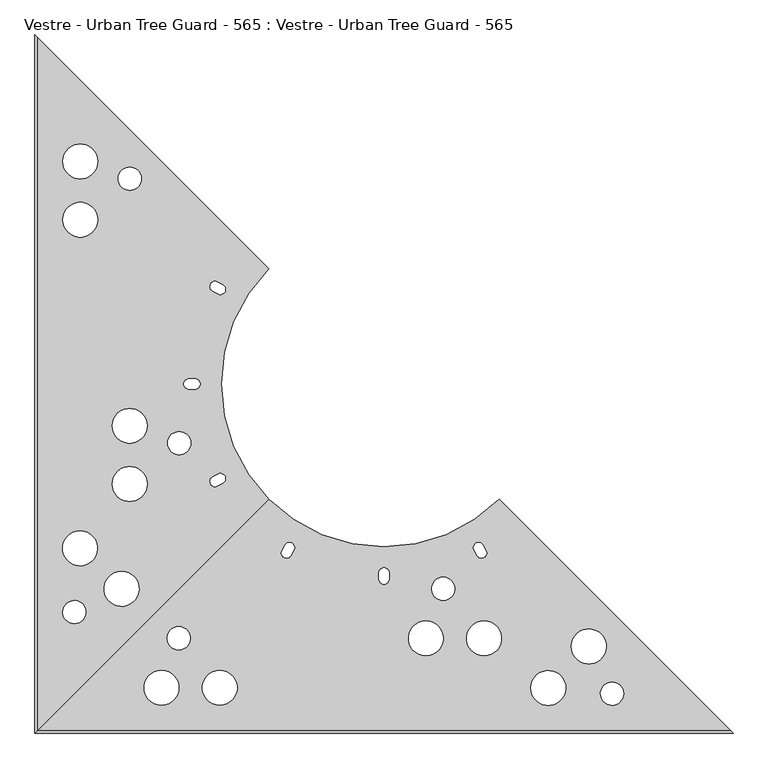
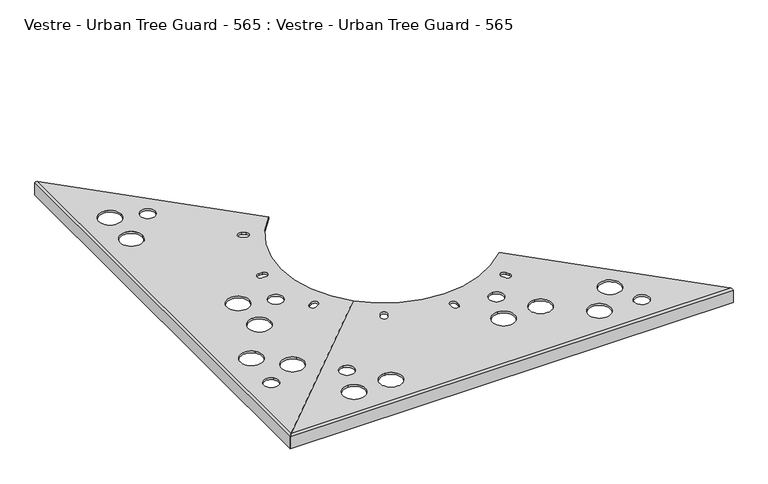
"""IFC4 building model written with IfcOpenShell, lengths in millimetres: furniture geometry, Vestre - Urban Tree Guard - 565 : Vestre - Urban Tree Guard - 565."""

from ifc_helpers import new_model, si_unit, frame, origin, place, context, project, spatial, polyline, circle_curve, ellipse_curve, source, transform, mapped, element, save
from ifc_brep_helpers import plane_surface, cylinder_surface, revolved_surface, advanced_brep


def vestre_urban_tree_guard_565_vestre_urban_tree_guard_565_433ae256(model_context):
    return source(origin(), model_context, "Body", "AdvancedBrep", [
        advanced_brep(
        [(-197.9898987, -197.9898987, 40.0), (-197.9898987, 197.9898987, 40.0), (-594.8, 594.8, 40.0), (-594.8, -594.8, 40.0), (-552.0929701, 382.4874784, 40.0), (-492.0929701, 382.4874784, 40.0), (-552.0929701, 282.4874784, 40.0), (-492.0929701, 282.4874784, 40.0), (-456.9653019, 352.8474801, 40.0), (-416.9653019, 352.8474801, 40.0), (-467.1830447, -71.9919609, 40.0), (-407.1830447, -71.9919609, 40.0), (-467.1830447, -171.9919609, 40.0), (-407.1830447, -171.9919609, 40.0), (-372.0553765, -101.6319592, 40.0), (-332.0553765, -101.6319592, 40.0), (-428.7496591, -332.1105133, 40.0), (-473.3383486, -372.2583496, 40.0), (-500.1600798, -262.237018, 40.0), (-544.7487693, -302.3848543, 40.0), (-517.2691252, -378.6111607, 40.0), (-546.9949182, -405.376385, 40.0), (-285.9582562, -154.7057714, 40.0), (-276.9582562, -170.2942286, 40.0), (-285.6185103, -175.2942286, 40.0), (-299.1185103, -167.5, 40.0), (-294.6185103, -159.7057714, 40.0), (-335.0, -9.0, 40.0), (-344.0, 0.0, 40.0), (-335.0, 9.0, 40.0), (-325.0, 9.0, 40.0), (-325.0, -9.0, 40.0), (-294.6185103, 159.7057714, 40.0), (-299.1185103, 167.5, 40.0), (-285.6185103, 175.2942286, 40.0), (-276.9582562, 170.2942286, 40.0), (-285.9582562, 154.7057714, 40.0), (-600.0, -600.0, 0.0), (-600.0, 600.0, 0.0), (-594.8, 594.8, 0.0), (-594.8, -594.8, 0.0), (-594.8, -594.8, 35.0), (-197.9898987, -197.9898987, 35.0), (-600.0, -600.0, 34.8), (-197.9898987, 197.9898987, 35.0), (-600.0, 600.0, 34.8), (-594.8, 594.8, 35.0), (-552.0929701, 382.4874784, 35.0), (-492.0929701, 382.4874784, 35.0), (-552.0929701, 282.4874784, 35.0), (-492.0929701, 282.4874784, 35.0), (-456.9653019, 352.8474801, 35.0), (-416.9653019, 352.8474801, 35.0), (-467.1830447, -71.9919609, 35.0), (-407.1830447, -71.9919609, 35.0), (-467.1830447, -171.9919609, 35.0), (-407.1830447, -171.9919609, 35.0), (-372.0553765, -101.6319592, 35.0), (-332.0553765, -101.6319592, 35.0), (-428.7496591, -332.1105133, 35.0), (-473.3383486, -372.2583496, 35.0), (-500.1600798, -262.237018, 35.0), (-544.7487693, -302.3848543, 35.0), (-517.2691252, -378.6111607, 35.0), (-546.9949182, -405.376385, 35.0), (-285.9582562, -154.7057714, 35.0), (-276.9582562, -170.2942286, 35.0), (-285.6185103, -175.2942286, 35.0), (-299.1185103, -167.5, 35.0), (-294.6185103, -159.7057714, 35.0), (-335.0, -9.0, 35.0), (-344.0, 0.0, 35.0), (-335.0, 9.0, 35.0), (-325.0, 9.0, 35.0), (-325.0, -9.0, 35.0), (-294.6185103, 159.7057714, 35.0), (-299.1185103, 167.5, 35.0), (-285.6185103, 175.2942286, 35.0), (-276.9582562, 170.2942286, 35.0), (-285.9582562, 154.7057714, 35.0)],
        [
            (0, 1, circle_curve(frame((0.0, 0.0, 40.0), z_axis=(0.0, 0.0, -1.0), x_axis=(1.0, 0.0, 0.0)), 280.0)),
            (1, 2),
            (2, 3),
            (3, 0),
            (4, 5, circle_curve(frame((-522.0929701, 382.4874784, 40.0), z_axis=(0.0, 0.0, -1.0), x_axis=(1.0, 0.0, 0.0)), 30.0)),
            (5, 4, circle_curve(frame((-522.0929701, 382.4874784, 40.0), z_axis=(0.0, 0.0, -1.0), x_axis=(1.0, 0.0, 0.0)), 30.0)),
            (6, 7, circle_curve(frame((-522.0929701, 282.4874784, 40.0), z_axis=(0.0, 0.0, -1.0), x_axis=(1.0, 0.0, 0.0)), 30.0)),
            (7, 6, circle_curve(frame((-522.0929701, 282.4874784, 40.0), z_axis=(0.0, 0.0, -1.0), x_axis=(1.0, 0.0, 0.0)), 30.0)),
            (8, 9, circle_curve(frame((-436.9653019, 352.8474801, 40.0), z_axis=(0.0, 0.0, -1.0), x_axis=(1.0, 0.0, 0.0)), 20.0)),
            (9, 8, circle_curve(frame((-436.9653019, 352.8474801, 40.0), z_axis=(0.0, 0.0, -1.0), x_axis=(1.0, 0.0, 0.0)), 20.0)),
            (10, 11, circle_curve(frame((-437.1830447, -71.9919609, 40.0), z_axis=(0.0, 0.0, -1.0), x_axis=(1.0, 0.0, 0.0)), 30.0)),
            (11, 10, circle_curve(frame((-437.1830447, -71.9919609, 40.0), z_axis=(0.0, 0.0, -1.0), x_axis=(1.0, 0.0, 0.0)), 30.0)),
            (12, 13, circle_curve(frame((-437.1830447, -171.9919609, 40.0), z_axis=(0.0, 0.0, -1.0), x_axis=(1.0, 0.0, 0.0)), 30.0)),
            (13, 12, circle_curve(frame((-437.1830447, -171.9919609, 40.0), z_axis=(0.0, 0.0, -1.0), x_axis=(1.0, 0.0, 0.0)), 30.0)),
            (14, 15, circle_curve(frame((-352.0553765, -101.6319592, 40.0), z_axis=(0.0, 0.0, -1.0), x_axis=(1.0, 0.0, 0.0)), 20.0)),
            (15, 14, circle_curve(frame((-352.0553765, -101.6319592, 40.0), z_axis=(0.0, 0.0, -1.0), x_axis=(1.0, 0.0, 0.0)), 20.0)),
            (16, 17, circle_curve(frame((-451.0440038, -352.1844315, 40.0), z_axis=(0.0, 0.0, -1.0), x_axis=(-0.7431448254773971, -0.6691306063588551, 0.0)), 30.0)),
            (17, 16, circle_curve(frame((-451.0440038, -352.1844315, 40.0), z_axis=(0.0, 0.0, -1.0), x_axis=(-0.7431448254773971, -0.6691306063588551, 0.0)), 30.0)),
            (18, 19, circle_curve(frame((-522.4544246, -282.3109362, 40.0), z_axis=(0.0, 0.0, -1.0), x_axis=(-0.7431448254773971, -0.6691306063588551, 0.0)), 30.0)),
            (19, 18, circle_curve(frame((-522.4544246, -282.3109362, 40.0), z_axis=(0.0, 0.0, -1.0), x_axis=(-0.7431448254773971, -0.6691306063588551, 0.0)), 30.0)),
            (20, 21, circle_curve(frame((-532.1320217, -391.9937728, 40.0), z_axis=(0.0, 0.0, -1.0), x_axis=(-0.7431448254773971, -0.6691306063588551, 0.0)), 20.0)),
            (21, 20, circle_curve(frame((-532.1320217, -391.9937728, 40.0), z_axis=(0.0, 0.0, -1.0), x_axis=(-0.7431448254773971, -0.6691306063588551, 0.0)), 20.0)),
            (22, 23, circle_curve(frame((-281.4582562, -162.5, 40.0), z_axis=(0.0, 0.0, -1.0), x_axis=(0.5000000000000648, -0.8660254037844012, 0.0)), 9.0)),
            (23, 24),
            (24, 25, circle_curve(frame((-290.1185103, -167.5, 40.0), z_axis=(0.0, 0.0, -1.0), x_axis=(-1.0, 0.0, 0.0)), 9.0)),
            (25, 26, circle_curve(frame((-290.1185103, -167.5, 40.0), z_axis=(0.0, 0.0, -1.0), x_axis=(-0.49999999999982203, 0.8660254037845414, 0.0)), 9.0)),
            (26, 22),
            (27, 28, circle_curve(frame((-335.0, 0.0, 40.0), z_axis=(0.0, 0.0, -1.0), x_axis=(-1.0, 0.0, 0.0)), 9.0)),
            (28, 29, circle_curve(frame((-335.0, 0.0, 40.0), z_axis=(0.0, 0.0, -1.0), x_axis=(0.0, 1.0, 0.0)), 9.0)),
            (29, 30),
            (30, 31, circle_curve(frame((-325.0, 0.0, 40.0), z_axis=(0.0, 0.0, -1.0), x_axis=(0.0, -1.0, 0.0)), 9.0)),
            (31, 27),
            (32, 33, circle_curve(frame((-290.1185103, 167.5, 40.0), z_axis=(0.0, 0.0, -1.0), x_axis=(-1.0, 0.0, 0.0)), 9.0)),
            (33, 34, circle_curve(frame((-290.1185103, 167.5, 40.0), z_axis=(0.0, 0.0, -1.0), x_axis=(0.5000000000000007, 0.8660254037844383, 0.0)), 9.0)),
            (34, 35),
            (35, 36, circle_curve(frame((-281.4582562, 162.5, 40.0), z_axis=(0.0, 0.0, -1.0), x_axis=(-0.5000000000000128, -0.8660254037844313, 0.0)), 9.0)),
            (36, 32),
            (37, 38),
            (38, 39),
            (39, 40),
            (40, 37),
            (40, 41),
            (41, 42),
            (42, 0),
            (3, 43, ellipse_curve(frame((-594.8, -594.8, 34.8), z_axis=(0.7071067811865469, -0.7071067811865481, 0.0), x_axis=(-0.7071067811865481, -0.7071067811865468, 0.0)), 7.3539105, 5.2)),
            (43, 37),
            (42, 44, circle_curve(frame((0.0, 0.0, 35.0), z_axis=(0.0, 0.0, -1.0), x_axis=(1.0, 0.0, 0.0)), 280.0)),
            (44, 1),
            (38, 45),
            (45, 2, ellipse_curve(frame((-594.8, 594.8, 34.8), z_axis=(0.7071067811865515, 0.7071067811865436, 0.0), x_axis=(0.7071067811865435, -0.7071067811865515, 0.0)), 7.3539105, 5.2)),
            (44, 46),
            (46, 39),
            (43, 45),
            (4, 47),
            (47, 48, circle_curve(frame((-522.0929701, 382.4874784, 35.0), z_axis=(0.0, 0.0, -1.0), x_axis=(1.0, 0.0, 0.0)), 30.0)),
            (48, 5),
            (48, 47, circle_curve(frame((-522.0929701, 382.4874784, 35.0), z_axis=(0.0, 0.0, -1.0), x_axis=(1.0, 0.0, 0.0)), 30.0)),
            (6, 49),
            (49, 50, circle_curve(frame((-522.0929701, 282.4874784, 35.0), z_axis=(0.0, 0.0, -1.0), x_axis=(1.0, 0.0, 0.0)), 30.0)),
            (50, 7),
            (50, 49, circle_curve(frame((-522.0929701, 282.4874784, 35.0), z_axis=(0.0, 0.0, -1.0), x_axis=(1.0, 0.0, 0.0)), 30.0)),
            (8, 51),
            (51, 52, circle_curve(frame((-436.9653019, 352.8474801, 35.0), z_axis=(0.0, 0.0, -1.0), x_axis=(1.0, 0.0, 0.0)), 20.0)),
            (52, 9),
            (52, 51, circle_curve(frame((-436.9653019, 352.8474801, 35.0), z_axis=(0.0, 0.0, -1.0), x_axis=(1.0, 0.0, 0.0)), 20.0)),
            (10, 53),
            (53, 54, circle_curve(frame((-437.1830447, -71.9919609, 35.0), z_axis=(0.0, 0.0, -1.0), x_axis=(1.0, 0.0, 0.0)), 30.0)),
            (54, 11),
            (54, 53, circle_curve(frame((-437.1830447, -71.9919609, 35.0), z_axis=(0.0, 0.0, -1.0), x_axis=(1.0, 0.0, 0.0)), 30.0)),
            (12, 55),
            (55, 56, circle_curve(frame((-437.1830447, -171.9919609, 35.0), z_axis=(0.0, 0.0, -1.0), x_axis=(1.0, 0.0, 0.0)), 30.0)),
            (56, 13),
            (56, 55, circle_curve(frame((-437.1830447, -171.9919609, 35.0), z_axis=(0.0, 0.0, -1.0), x_axis=(1.0, 0.0, 0.0)), 30.0)),
            (14, 57),
            (57, 58, circle_curve(frame((-352.0553765, -101.6319592, 35.0), z_axis=(0.0, 0.0, -1.0), x_axis=(1.0, 0.0, 0.0)), 20.0)),
            (58, 15),
            (58, 57, circle_curve(frame((-352.0553765, -101.6319592, 35.0), z_axis=(0.0, 0.0, -1.0), x_axis=(1.0, 0.0, 0.0)), 20.0)),
            (16, 59),
            (59, 60, circle_curve(frame((-451.0440038, -352.1844315, 35.0), z_axis=(0.0, 0.0, -1.0), x_axis=(-0.7431448254773971, -0.6691306063588551, 0.0)), 30.0)),
            (60, 17),
            (60, 59, circle_curve(frame((-451.0440038, -352.1844315, 35.0), z_axis=(0.0, 0.0, -1.0), x_axis=(-0.7431448254773971, -0.6691306063588551, 0.0)), 30.0)),
            (18, 61),
            (61, 62, circle_curve(frame((-522.4544246, -282.3109362, 35.0), z_axis=(0.0, 0.0, -1.0), x_axis=(-0.7431448254773971, -0.6691306063588551, 0.0)), 30.0)),
            (62, 19),
            (62, 61, circle_curve(frame((-522.4544246, -282.3109362, 35.0), z_axis=(0.0, 0.0, -1.0), x_axis=(-0.7431448254773971, -0.6691306063588551, 0.0)), 30.0)),
            (20, 63),
            (63, 64, circle_curve(frame((-532.1320217, -391.9937728, 35.0), z_axis=(0.0, 0.0, -1.0), x_axis=(-0.7431448254773971, -0.6691306063588551, 0.0)), 20.0)),
            (64, 21),
            (64, 63, circle_curve(frame((-532.1320217, -391.9937728, 35.0), z_axis=(0.0, 0.0, -1.0), x_axis=(-0.7431448254773971, -0.6691306063588551, 0.0)), 20.0)),
            (22, 65),
            (65, 66, circle_curve(frame((-281.4582562, -162.5, 35.0), z_axis=(0.0, 0.0, -1.0), x_axis=(0.5000000000000648, -0.8660254037844012, 0.0)), 9.0)),
            (66, 23),
            (66, 67),
            (67, 24),
            (67, 68, circle_curve(frame((-290.1185103, -167.5, 35.0), z_axis=(0.0, 0.0, -1.0), x_axis=(-1.0, 0.0, 0.0)), 9.0)),
            (68, 25),
            (68, 69, circle_curve(frame((-290.1185103, -167.5, 35.0), z_axis=(0.0, 0.0, -1.0), x_axis=(-0.49999999999982203, 0.8660254037845414, 0.0)), 9.0)),
            (69, 26),
            (69, 65),
            (27, 70),
            (70, 71, circle_curve(frame((-335.0, 0.0, 35.0), z_axis=(0.0, 0.0, -1.0), x_axis=(-1.0, 0.0, 0.0)), 9.0)),
            (71, 28),
            (71, 72, circle_curve(frame((-335.0, 0.0, 35.0), z_axis=(0.0, 0.0, -1.0), x_axis=(0.0, 1.0, 0.0)), 9.0)),
            (72, 29),
            (72, 73),
            (73, 30),
            (73, 74, circle_curve(frame((-325.0, 0.0, 35.0), z_axis=(0.0, 0.0, -1.0), x_axis=(0.0, -1.0, 0.0)), 9.0)),
            (74, 31),
            (74, 70),
            (32, 75),
            (75, 76, circle_curve(frame((-290.1185103, 167.5, 35.0), z_axis=(0.0, 0.0, -1.0), x_axis=(-1.0, 0.0, 0.0)), 9.0)),
            (76, 33),
            (76, 77, circle_curve(frame((-290.1185103, 167.5, 35.0), z_axis=(0.0, 0.0, -1.0), x_axis=(0.5000000000000007, 0.8660254037844383, 0.0)), 9.0)),
            (77, 34),
            (77, 78),
            (78, 35),
            (78, 79, circle_curve(frame((-281.4582562, 162.5, 35.0), z_axis=(0.0, 0.0, -1.0), x_axis=(-0.5000000000000128, -0.8660254037844313, 0.0)), 9.0)),
            (79, 36),
            (79, 75),
            (41, 46),
        ],
        [
            plane_surface(frame((-197.9898987, -197.9898987, 40.0), z_axis=(0.0, 0.0, 1.0), x_axis=(0.7071067811865481, 0.7071067811865469, 0.0))),
            plane_surface(frame((-197.9898987, -197.9898987, 0.0), z_axis=(0.0, 0.0, -1.0), x_axis=(-0.7071067811865481, -0.7071067811865469, 0.0))),
            plane_surface(frame((-600.0, -600.0, 40.0), z_axis=(0.7071067811865469, -0.7071067811865481, 0.0), x_axis=(0.0, 0.0, -1.0))),
            revolved_surface(polyline([(280.0, 0.0, 35.0), (280.0, 0.0, 40.0)]), (0.0, 0.0, 0.0), (0.0, 0.0, -1.0)),
            plane_surface(frame((-197.9898987, 197.9898987, 40.0), z_axis=(0.7071067811865515, 0.7071067811865436, 0.0), x_axis=(0.0, 0.0, -1.0))),
            plane_surface(frame((-600.0, 600.0, 40.0), z_axis=(-1.0, 0.0, 0.0), x_axis=(0.0, 0.0, -1.0))),
            revolved_surface(polyline([(-492.0929701, 382.4874784, 35.0), (-492.0929701, 382.4874784, 40.0)]), (-522.0929701, 382.4874784, 0.0), (0.0, 0.0, -1.0)),
            revolved_surface(polyline([(-492.0929701, 282.4874784, 35.0), (-492.0929701, 282.4874784, 40.0)]), (-522.0929701, 282.4874784, 0.0), (0.0, 0.0, -1.0)),
            revolved_surface(polyline([(-416.9653019, 352.8474801, 35.0), (-416.9653019, 352.8474801, 40.0)]), (-436.9653019, 352.8474801, 0.0), (0.0, 0.0, -1.0)),
            revolved_surface(polyline([(-407.1830447, -71.9919609, 35.0), (-407.1830447, -71.9919609, 40.0)]), (-437.1830447, -71.9919609, 0.0), (0.0, 0.0, -1.0)),
            revolved_surface(polyline([(-407.1830447, -171.9919609, 35.0), (-407.1830447, -171.9919609, 40.0)]), (-437.1830447, -171.9919609, 0.0), (0.0, 0.0, -1.0)),
            revolved_surface(polyline([(-332.0553765, -101.6319592, 35.0), (-332.0553765, -101.6319592, 40.0)]), (-352.0553765, -101.6319592, 0.0), (0.0, 0.0, -1.0)),
            revolved_surface(polyline([(-473.3383485643219, -372.25834969076567, 35.000000000000014), (-473.3383485643219, -372.25834969076567, 40.000000000000014)]), (-451.0440038, -352.1844315, 0.0), (0.0, 0.0, -1.0000000000000002)),
            revolved_surface(polyline([(-544.7487693643219, -302.38485439076567, 35.000000000000014), (-544.7487693643219, -302.38485439076567, 40.000000000000014)]), (-522.4544246, -282.3109362, 0.0), (0.0, 0.0, -1.0000000000000002)),
            revolved_surface(polyline([(-546.9949182095479, -405.37638492717707, 35.000000000000014), (-546.9949182095479, -405.37638492717707, 40.000000000000014)]), (-532.1320217, -391.9937728, 0.0), (0.0, 0.0, -1.0000000000000002)),
            revolved_surface(polyline([(-276.9582561999994, -170.2942286340596, 35.0), (-276.9582561999994, -170.2942286340596, 40.0)]), (-281.4582562, -162.5, 0.0), (0.0, 0.0, -1.0)),
            plane_surface(frame((-276.9582562, -170.2942286, 40.0), z_axis=(-0.5000000000000454, 0.8660254037844125, 0.0), x_axis=(0.0, 0.0, -1.0))),
            revolved_surface(polyline([(-299.1185103, -167.5, 35.0), (-299.1185103, -167.5, 40.0)]), (-290.1185103, -167.5, 0.0), (0.0, 0.0, -1.0)),
            revolved_surface(polyline([(-294.61851029999843, -159.7057713659391, 35.0), (-294.61851029999843, -159.7057713659391, 40.0)]), (-290.1185103, -167.5, 0.0), (0.0, 0.0, -1.0)),
            plane_surface(frame((-294.6185103, -159.7057714, 40.0), z_axis=(0.4999999999999673, -0.8660254037844577, 0.0), x_axis=(0.0, 0.0, -1.0))),
            revolved_surface(polyline([(-344.0, 0.0, 35.0), (-344.0, 0.0, 40.0)]), (-335.0, 0.0, 0.0), (0.0, 0.0, -1.0)),
            revolved_surface(polyline([(-335.0, 9.0, 35.0), (-335.0, 9.0, 40.0)]), (-335.0, 0.0, 0.0), (0.0, 0.0, -1.0)),
            plane_surface(frame((-335.0, 9.0, 40.0), z_axis=(0.0, -1.0, 0.0), x_axis=(0.0, 0.0, -1.0))),
            revolved_surface(polyline([(-325.0, -9.0, 35.0), (-325.0, -9.0, 40.0)]), (-325.0, 0.0, 0.0), (0.0, 0.0, -1.0)),
            plane_surface(frame((-325.0, -9.0, 40.0), z_axis=(0.0, 1.0, 0.0), x_axis=(0.0, 0.0, -1.0))),
            revolved_surface(polyline([(-299.1185103, 167.5, 35.0), (-299.1185103, 167.5, 40.0)]), (-290.1185103, 167.5, 0.0), (0.0, 0.0, -1.0)),
            revolved_surface(polyline([(-285.6185103, 175.29422863405995, 35.0), (-285.6185103, 175.29422863405995, 40.0)]), (-290.1185103, 167.5, 0.0), (0.0, 0.0, -1.0)),
            plane_surface(frame((-285.6185103, 175.2942286, 40.0), z_axis=(-0.5000000000000434, -0.8660254037844136, 0.0), x_axis=(0.0, 0.0, -1.0))),
            revolved_surface(polyline([(-285.9582562000001, 154.7057713659401, 35.0), (-285.9582562000001, 154.7057713659401, 40.0)]), (-281.4582562, 162.5, 0.0), (0.0, 0.0, -1.0)),
            plane_surface(frame((-285.9582562, 154.7057714, 40.0), z_axis=(0.5000000000000113, 0.8660254037844322, 0.0), x_axis=(0.0, 0.0, -1.0))),
            plane_surface(frame((-594.8, 594.8, 35.0), z_axis=(0.0, 0.0, -1.0), x_axis=(0.0, -1.0, 0.0))),
            plane_surface(frame((-594.8, 594.8, 35.0), z_axis=(1.0, 0.0, 0.0), x_axis=(0.0, 0.0, -1.0))),
            cylinder_surface(frame((-594.8, 600.0, 34.8), z_axis=(0.0, -1.0, 0.0), x_axis=(-1.0, 0.0, 0.0)), 5.2),
        ],
        [
            (0, [[1, 2, 3, 4], [5, 6], [7, 8], [9, 10], [11, 12], [13, 14], [15, 16], [17, 18], [19, 20], [21, 22], [23, 24, 25, 26, 27], [28, 29, 30, 31, 32], [33, 34, 35, 36, 37]]),
            (1, [[38, 39, 40, 41]]),
            (2, [[-41, 42, 43, 44, -4, 45, 46]]),
            (3, [[-1, -44, 47, 48]]),
            (4, [[-39, 49, 50, -2, -48, 51, 52]]),
            (5, [[-38, -46, 53, -49]]),
            (6, [[-5, 54, 55, 56]]),
            (6, [[-6, -56, 57, -54]]),
            (7, [[-7, 58, 59, 60]]),
            (7, [[-8, -60, 61, -58]]),
            (8, [[-9, 62, 63, 64]]),
            (8, [[-10, -64, 65, -62]]),
            (9, [[-11, 66, 67, 68]]),
            (9, [[-12, -68, 69, -66]]),
            (10, [[-13, 70, 71, 72]]),
            (10, [[-14, -72, 73, -70]]),
            (11, [[-15, 74, 75, 76]]),
            (11, [[-16, -76, 77, -74]]),
            (12, [[-17, 78, 79, 80]]),
            (12, [[-18, -80, 81, -78]]),
            (13, [[-19, 82, 83, 84]]),
            (13, [[-20, -84, 85, -82]]),
            (14, [[-21, 86, 87, 88]]),
            (14, [[-22, -88, 89, -86]]),
            (15, [[-23, 90, 91, 92]]),
            (16, [[-24, -92, 93, 94]]),
            (17, [[-25, -94, 95, 96]]),
            (18, [[-26, -96, 97, 98]]),
            (19, [[-27, -98, 99, -90]]),
            (20, [[-28, 100, 101, 102]]),
            (21, [[-29, -102, 103, 104]]),
            (22, [[-30, -104, 105, 106]]),
            (23, [[-31, -106, 107, 108]]),
            (24, [[-32, -108, 109, -100]]),
            (25, [[-33, 110, 111, 112]]),
            (26, [[-34, -112, 113, 114]]),
            (27, [[-35, -114, 115, 116]]),
            (28, [[-36, -116, 117, 118]]),
            (29, [[-37, -118, 119, -110]]),
            (30, [[120, -51, -47, -43], [-55, -57], [-59, -61], [-63, -65], [-67, -69], [-71, -73], [-75, -77], [-79, -81], [-83, -85], [-87, -89], [-91, -99, -97, -95, -93], [-101, -109, -107, -105, -103], [-111, -119, -117, -115, -113]]),
            (31, [[-120, -42, -40, -52]]),
            (32, [[-3, -50, -53, -45]]),
        ],
    ),
        advanced_brep(
        [(197.9898987, -197.9898987, 40.0), (-197.9898987, -197.9898987, 40.0), (-594.8, -594.8, 40.0), (594.8, -594.8, 40.0), (-382.4874784, -552.0929701, 40.0), (-382.4874784, -492.0929701, 40.0), (-282.4874784, -552.0929701, 40.0), (-282.4874784, -492.0929701, 40.0), (-352.8474801, -456.9653019, 40.0), (-352.8474801, -416.9653019, 40.0), (71.9919609, -467.1830447, 40.0), (71.9919609, -407.1830447, 40.0), (171.9919609, -467.1830447, 40.0), (171.9919609, -407.1830447, 40.0), (101.6319592, -372.0553765, 40.0), (101.6319592, -332.0553765, 40.0), (332.1105133, -428.7496591, 40.0), (372.2583496, -473.3383486, 40.0), (262.237018, -500.1600798, 40.0), (302.3848543, -544.7487693, 40.0), (378.6111607, -517.2691252, 40.0), (405.376385, -546.9949182, 40.0), (154.7057714, -285.9582562, 40.0), (170.2942286, -276.9582562, 40.0), (175.2942286, -285.6185103, 40.0), (167.5, -299.1185103, 40.0), (159.7057714, -294.6185103, 40.0), (9.0, -335.0, 40.0), (0.0, -344.0, 40.0), (-9.0, -335.0, 40.0), (-9.0, -325.0, 40.0), (9.0, -325.0, 40.0), (-159.7057714, -294.6185103, 40.0), (-167.5, -299.1185103, 40.0), (-175.2942286, -285.6185103, 40.0), (-170.2942286, -276.9582562, 40.0), (-154.7057714, -285.9582562, 40.0), (600.0, -600.0, 0.0), (-600.0, -600.0, 0.0), (-594.8, -594.8, 0.0), (594.8, -594.8, 0.0), (594.8, -594.8, 35.0), (197.9898987, -197.9898987, 35.0), (600.0, -600.0, 34.8), (-197.9898987, -197.9898987, 35.0), (-600.0, -600.0, 34.8), (-594.8, -594.8, 35.0), (-382.4874784, -552.0929701, 35.0), (-382.4874784, -492.0929701, 35.0), (-282.4874784, -552.0929701, 35.0), (-282.4874784, -492.0929701, 35.0), (-352.8474801, -456.9653019, 35.0), (-352.8474801, -416.9653019, 35.0), (71.9919609, -467.1830447, 35.0), (71.9919609, -407.1830447, 35.0), (171.9919609, -467.1830447, 35.0), (171.9919609, -407.1830447, 35.0), (101.6319592, -372.0553765, 35.0), (101.6319592, -332.0553765, 35.0), (332.1105133, -428.7496591, 35.0), (372.2583496, -473.3383486, 35.0), (262.237018, -500.1600798, 35.0), (302.3848543, -544.7487693, 35.0), (378.6111607, -517.2691252, 35.0), (405.376385, -546.9949182, 35.0), (154.7057714, -285.9582562, 35.0), (170.2942286, -276.9582562, 35.0), (175.2942286, -285.6185103, 35.0), (167.5, -299.1185103, 35.0), (159.7057714, -294.6185103, 35.0), (9.0, -335.0, 35.0), (0.0, -344.0, 35.0), (-9.0, -335.0, 35.0), (-9.0, -325.0, 35.0), (9.0, -325.0, 35.0), (-159.7057714, -294.6185103, 35.0), (-167.5, -299.1185103, 35.0), (-175.2942286, -285.6185103, 35.0), (-170.2942286, -276.9582562, 35.0), (-154.7057714, -285.9582562, 35.0)],
        [
            (0, 1, circle_curve(frame((0.0, 0.0, 40.0), z_axis=(0.0, 0.0, -1.0), x_axis=(-1.0183409671071786e-11, 1.0, 0.0)), 280.0)),
            (1, 2),
            (2, 3),
            (3, 0),
            (4, 5, circle_curve(frame((-382.4874784, -522.0929701, 40.0), z_axis=(0.0, 0.0, -1.0), x_axis=(-1.0183409671071786e-11, 1.0, 0.0)), 30.0)),
            (5, 4, circle_curve(frame((-382.4874784, -522.0929701, 40.0), z_axis=(0.0, 0.0, -1.0), x_axis=(-1.0183409671071786e-11, 1.0, 0.0)), 30.0)),
            (6, 7, circle_curve(frame((-282.4874784, -522.0929701, 40.0), z_axis=(0.0, 0.0, -1.0), x_axis=(-1.0183409671071786e-11, 1.0, 0.0)), 30.0)),
            (7, 6, circle_curve(frame((-282.4874784, -522.0929701, 40.0), z_axis=(0.0, 0.0, -1.0), x_axis=(-1.0183409671071786e-11, 1.0, 0.0)), 30.0)),
            (8, 9, circle_curve(frame((-352.8474801, -436.9653019, 40.0), z_axis=(0.0, 0.0, -1.0), x_axis=(-1.0183409671071786e-11, 1.0, 0.0)), 20.0)),
            (9, 8, circle_curve(frame((-352.8474801, -436.9653019, 40.0), z_axis=(0.0, 0.0, -1.0), x_axis=(-1.0183409671071786e-11, 1.0, 0.0)), 20.0)),
            (10, 11, circle_curve(frame((71.9919609, -437.1830447, 40.0), z_axis=(0.0, 0.0, -1.0), x_axis=(-1.0183409671071786e-11, 1.0, 0.0)), 30.0)),
            (11, 10, circle_curve(frame((71.9919609, -437.1830447, 40.0), z_axis=(0.0, 0.0, -1.0), x_axis=(-1.0183409671071786e-11, 1.0, 0.0)), 30.0)),
            (12, 13, circle_curve(frame((171.9919609, -437.1830447, 40.0), z_axis=(0.0, 0.0, -1.0), x_axis=(-1.0183409671071786e-11, 1.0, 0.0)), 30.0)),
            (13, 12, circle_curve(frame((171.9919609, -437.1830447, 40.0), z_axis=(0.0, 0.0, -1.0), x_axis=(-1.0183409671071786e-11, 1.0, 0.0)), 30.0)),
            (14, 15, circle_curve(frame((101.6319592, -352.0553765, 40.0), z_axis=(0.0, 0.0, -1.0), x_axis=(-1.0183409671071786e-11, 1.0, 0.0)), 20.0)),
            (15, 14, circle_curve(frame((101.6319592, -352.0553765, 40.0), z_axis=(0.0, 0.0, -1.0), x_axis=(-1.0183409671071786e-11, 1.0, 0.0)), 20.0)),
            (16, 17, circle_curve(frame((352.1844315, -451.0440038, 40.0), z_axis=(0.0, 0.0, -1.0), x_axis=(0.669130606366423, -0.7431448254705831, 0.0)), 30.0)),
            (17, 16, circle_curve(frame((352.1844315, -451.0440038, 40.0), z_axis=(0.0, 0.0, -1.0), x_axis=(0.669130606366423, -0.7431448254705831, 0.0)), 30.0)),
            (18, 19, circle_curve(frame((282.3109362, -522.4544246, 40.0), z_axis=(0.0, 0.0, -1.0), x_axis=(0.669130606366423, -0.7431448254705831, 0.0)), 30.0)),
            (19, 18, circle_curve(frame((282.3109362, -522.4544246, 40.0), z_axis=(0.0, 0.0, -1.0), x_axis=(0.669130606366423, -0.7431448254705831, 0.0)), 30.0)),
            (20, 21, circle_curve(frame((391.9937728, -532.1320217, 40.0), z_axis=(0.0, 0.0, -1.0), x_axis=(0.669130606366423, -0.7431448254705831, 0.0)), 20.0)),
            (21, 20, circle_curve(frame((391.9937728, -532.1320217, 40.0), z_axis=(0.0, 0.0, -1.0), x_axis=(0.669130606366423, -0.7431448254705831, 0.0)), 20.0)),
            (22, 23, circle_curve(frame((162.5, -281.4582562, 40.0), z_axis=(0.0, 0.0, -1.0), x_axis=(0.8660254037793096, 0.500000000008884, 0.0)), 9.0)),
            (23, 24),
            (24, 25, circle_curve(frame((167.5, -290.1185103, 40.0), z_axis=(0.0, 0.0, -1.0), x_axis=(1.0424046810915725e-11, -1.0, 0.0)), 9.0)),
            (25, 26, circle_curve(frame((167.5, -290.1185103, 40.0), z_axis=(0.0, 0.0, -1.0), x_axis=(-0.8660254037794497, -0.5000000000086411, 0.0)), 9.0)),
            (26, 22),
            (27, 28, circle_curve(frame((0.0, -335.0, 40.0), z_axis=(0.0, 0.0, -1.0), x_axis=(1.0424046810915842e-11, -1.0, 0.0)), 9.0)),
            (28, 29, circle_curve(frame((0.0, -335.0, 40.0), z_axis=(0.0, 0.0, -1.0), x_axis=(-1.0, -1.0303728240993857e-11, 0.0)), 9.0)),
            (29, 30),
            (30, 31, circle_curve(frame((0.0, -325.0, 40.0), z_axis=(0.0, 0.0, -1.0), x_axis=(1.0, 1.0063091101149772e-11, 0.0)), 9.0)),
            (31, 27),
            (32, 33, circle_curve(frame((-167.5, -290.1185103, 40.0), z_axis=(0.0, 0.0, -1.0), x_axis=(1.0424046810915754e-11, -1.0, 0.0)), 9.0)),
            (33, 34, circle_curve(frame((-167.5, -290.1185103, 40.0), z_axis=(0.0, 0.0, -1.0), x_axis=(-0.86602540378953, 0.49999999999118155, 0.0)), 9.0)),
            (34, 35),
            (35, 36, circle_curve(frame((-162.5, -281.4582562, 40.0), z_axis=(0.0, 0.0, -1.0), x_axis=(0.866025403789523, -0.49999999999119366, 0.0)), 9.0)),
            (36, 32),
            (37, 38),
            (38, 39),
            (39, 40),
            (40, 37),
            (40, 41),
            (41, 42),
            (42, 0),
            (3, 43, ellipse_curve(frame((594.8, -594.8, 34.8), z_axis=(0.7071067811793474, 0.7071067811937476, 0.0), x_axis=(0.7071067811937476, -0.7071067811793474, 0.0)), 7.3539105, 5.2)),
            (43, 37),
            (42, 44, circle_curve(frame((0.0, 0.0, 35.0), z_axis=(0.0, 0.0, -1.0), x_axis=(-1.0183409671071786e-11, 1.0, 0.0)), 280.0)),
            (44, 1),
            (38, 45),
            (45, 2, ellipse_curve(frame((-594.8, -594.8, 34.8), z_axis=(-0.7071067811937445, 0.7071067811793507, 0.0), x_axis=(0.7071067811793506, 0.7071067811937444, 0.0)), 7.3539105, 5.2)),
            (44, 46),
            (46, 39),
            (43, 45),
            (4, 47),
            (47, 48, circle_curve(frame((-382.4874784, -522.0929701, 35.0), z_axis=(0.0, 0.0, -1.0), x_axis=(-1.0183409671071786e-11, 1.0, 0.0)), 30.0)),
            (48, 5),
            (48, 47, circle_curve(frame((-382.4874784, -522.0929701, 35.0), z_axis=(0.0, 0.0, -1.0), x_axis=(-1.0183409671071786e-11, 1.0, 0.0)), 30.0)),
            (6, 49),
            (49, 50, circle_curve(frame((-282.4874784, -522.0929701, 35.0), z_axis=(0.0, 0.0, -1.0), x_axis=(-1.0183409671071786e-11, 1.0, 0.0)), 30.0)),
            (50, 7),
            (50, 49, circle_curve(frame((-282.4874784, -522.0929701, 35.0), z_axis=(0.0, 0.0, -1.0), x_axis=(-1.0183409671071786e-11, 1.0, 0.0)), 30.0)),
            (8, 51),
            (51, 52, circle_curve(frame((-352.8474801, -436.9653019, 35.0), z_axis=(0.0, 0.0, -1.0), x_axis=(-1.0183409671071786e-11, 1.0, 0.0)), 20.0)),
            (52, 9),
            (52, 51, circle_curve(frame((-352.8474801, -436.9653019, 35.0), z_axis=(0.0, 0.0, -1.0), x_axis=(-1.0183409671071786e-11, 1.0, 0.0)), 20.0)),
            (10, 53),
            (53, 54, circle_curve(frame((71.9919609, -437.1830447, 35.0), z_axis=(0.0, 0.0, -1.0), x_axis=(-1.0183409671071786e-11, 1.0, 0.0)), 30.0)),
            (54, 11),
            (54, 53, circle_curve(frame((71.9919609, -437.1830447, 35.0), z_axis=(0.0, 0.0, -1.0), x_axis=(-1.0183409671071786e-11, 1.0, 0.0)), 30.0)),
            (12, 55),
            (55, 56, circle_curve(frame((171.9919609, -437.1830447, 35.0), z_axis=(0.0, 0.0, -1.0), x_axis=(-1.0183409671071786e-11, 1.0, 0.0)), 30.0)),
            (56, 13),
            (56, 55, circle_curve(frame((171.9919609, -437.1830447, 35.0), z_axis=(0.0, 0.0, -1.0), x_axis=(-1.0183409671071786e-11, 1.0, 0.0)), 30.0)),
            (14, 57),
            (57, 58, circle_curve(frame((101.6319592, -352.0553765, 35.0), z_axis=(0.0, 0.0, -1.0), x_axis=(-1.0183409671071786e-11, 1.0, 0.0)), 20.0)),
            (58, 15),
            (58, 57, circle_curve(frame((101.6319592, -352.0553765, 35.0), z_axis=(0.0, 0.0, -1.0), x_axis=(-1.0183409671071786e-11, 1.0, 0.0)), 20.0)),
            (16, 59),
            (59, 60, circle_curve(frame((352.1844315, -451.0440038, 35.0), z_axis=(0.0, 0.0, -1.0), x_axis=(0.669130606366423, -0.7431448254705831, 0.0)), 30.0)),
            (60, 17),
            (60, 59, circle_curve(frame((352.1844315, -451.0440038, 35.0), z_axis=(0.0, 0.0, -1.0), x_axis=(0.669130606366423, -0.7431448254705831, 0.0)), 30.0)),
            (18, 61),
            (61, 62, circle_curve(frame((282.3109362, -522.4544246, 35.0), z_axis=(0.0, 0.0, -1.0), x_axis=(0.669130606366423, -0.7431448254705831, 0.0)), 30.0)),
            (62, 19),
            (62, 61, circle_curve(frame((282.3109362, -522.4544246, 35.0), z_axis=(0.0, 0.0, -1.0), x_axis=(0.669130606366423, -0.7431448254705831, 0.0)), 30.0)),
            (20, 63),
            (63, 64, circle_curve(frame((391.9937728, -532.1320217, 35.0), z_axis=(0.0, 0.0, -1.0), x_axis=(0.669130606366423, -0.7431448254705831, 0.0)), 20.0)),
            (64, 21),
            (64, 63, circle_curve(frame((391.9937728, -532.1320217, 35.0), z_axis=(0.0, 0.0, -1.0), x_axis=(0.669130606366423, -0.7431448254705831, 0.0)), 20.0)),
            (22, 65),
            (65, 66, circle_curve(frame((162.5, -281.4582562, 35.0), z_axis=(0.0, 0.0, -1.0), x_axis=(0.8660254037793096, 0.500000000008884, 0.0)), 9.0)),
            (66, 23),
            (66, 67),
            (67, 24),
            (67, 68, circle_curve(frame((167.5, -290.1185103, 35.0), z_axis=(0.0, 0.0, -1.0), x_axis=(1.0424046810915725e-11, -1.0, 0.0)), 9.0)),
            (68, 25),
            (68, 69, circle_curve(frame((167.5, -290.1185103, 35.0), z_axis=(0.0, 0.0, -1.0), x_axis=(-0.8660254037794497, -0.5000000000086411, 0.0)), 9.0)),
            (69, 26),
            (69, 65),
            (27, 70),
            (70, 71, circle_curve(frame((0.0, -335.0, 35.0), z_axis=(0.0, 0.0, -1.0), x_axis=(1.0424046810915842e-11, -1.0, 0.0)), 9.0)),
            (71, 28),
            (71, 72, circle_curve(frame((0.0, -335.0, 35.0), z_axis=(0.0, 0.0, -1.0), x_axis=(-1.0, -1.0303728240993857e-11, 0.0)), 9.0)),
            (72, 29),
            (72, 73),
            (73, 30),
            (73, 74, circle_curve(frame((0.0, -325.0, 35.0), z_axis=(0.0, 0.0, -1.0), x_axis=(1.0, 1.0063091101149772e-11, 0.0)), 9.0)),
            (74, 31),
            (74, 70),
            (32, 75),
            (75, 76, circle_curve(frame((-167.5, -290.1185103, 35.0), z_axis=(0.0, 0.0, -1.0), x_axis=(1.0424046810915754e-11, -1.0, 0.0)), 9.0)),
            (76, 33),
            (76, 77, circle_curve(frame((-167.5, -290.1185103, 35.0), z_axis=(0.0, 0.0, -1.0), x_axis=(-0.86602540378953, 0.49999999999118155, 0.0)), 9.0)),
            (77, 34),
            (77, 78),
            (78, 35),
            (78, 79, circle_curve(frame((-162.5, -281.4582562, 35.0), z_axis=(0.0, 0.0, -1.0), x_axis=(0.866025403789523, -0.49999999999119366, 0.0)), 9.0)),
            (79, 36),
            (79, 75),
            (41, 46),
        ],
        [
            plane_surface(frame((197.9898987, -197.9898987, 40.0), z_axis=(0.0, 0.0, 1.0), x_axis=(-0.7071067811937476, 0.7071067811793474, 0.0))),
            plane_surface(frame((197.9898987, -197.9898987, 0.0), z_axis=(0.0, 0.0, -1.0), x_axis=(0.7071067811937476, -0.7071067811793474, 0.0))),
            plane_surface(frame((600.0, -600.0, 40.0), z_axis=(0.7071067811793474, 0.7071067811937476, 0.0), x_axis=(0.0, 0.0, -1.0))),
            revolved_surface(polyline([(-2.8513547079001e-09, 280.0, 35.0), (-2.8513547079001e-09, 280.0, 40.0)]), (0.0, 0.0, 0.0), (0.0, 0.0, -1.0)),
            plane_surface(frame((-197.9898987, -197.9898987, 40.0), z_axis=(-0.7071067811937445, 0.7071067811793507, 0.0), x_axis=(0.0, 0.0, -1.0))),
            plane_surface(frame((-600.0, -600.0, 40.0), z_axis=(1.018340656244717e-11, -1.0, 0.0), x_axis=(0.0, 0.0, -1.0))),
            revolved_surface(polyline([(-382.48747840030546, -492.0929701, 35.0), (-382.48747840030546, -492.0929701, 40.0)]), (-382.4874784, -522.0929701, 0.0), (0.0, 0.0, -1.0)),
            revolved_surface(polyline([(-282.48747840030546, -492.0929701, 35.0), (-282.48747840030546, -492.0929701, 40.0)]), (-282.4874784, -522.0929701, 0.0), (0.0, 0.0, -1.0)),
            revolved_surface(polyline([(-352.84748010020365, -416.9653019, 35.0), (-352.84748010020365, -416.9653019, 40.0)]), (-352.8474801, -436.9653019, 0.0), (0.0, 0.0, -1.0)),
            revolved_surface(polyline([(71.99196089969449, -407.1830447, 35.0), (71.99196089969449, -407.1830447, 40.0)]), (71.9919609, -437.1830447, 0.0), (0.0, 0.0, -1.0)),
            revolved_surface(polyline([(171.9919608996945, -407.1830447, 35.0), (171.9919608996945, -407.1830447, 40.0)]), (171.9919609, -437.1830447, 0.0), (0.0, 0.0, -1.0)),
            revolved_surface(polyline([(101.63195919979633, -332.0553765, 35.0), (101.63195919979633, -332.0553765, 40.0)]), (101.6319592, -352.0553765, 0.0), (0.0, 0.0, -1.0)),
            revolved_surface(polyline([(372.2583496909927, -473.3383485641175, 35.000000000000014), (372.2583496909927, -473.3383485641175, 40.000000000000014)]), (352.1844315, -451.0440038, 0.0), (0.0, 0.0, -1.0000000000000002)),
            revolved_surface(polyline([(302.3848543909927, -544.7487693641175, 35.000000000000014), (302.3848543909927, -544.7487693641175, 40.000000000000014)]), (282.3109362, -522.4544246, 0.0), (0.0, 0.0, -1.0000000000000002)),
            revolved_surface(polyline([(405.37638492732844, -546.9949182094117, 35.000000000000014), (405.37638492732844, -546.9949182094117, 40.000000000000014)]), (391.9937728, -532.1320217, 0.0), (0.0, 0.0, -1.0000000000000002)),
            revolved_surface(polyline([(170.2942286340138, -276.95825619992, 35.000000000000014), (170.2942286340138, -276.95825619992, 40.000000000000014)]), (162.5, -281.4582562, 0.0), (0.0, 0.0, -1.0000000000000002)),
            plane_surface(frame((170.2942286, -276.9582562, 40.0), z_axis=(-0.8660254037793244, -0.5000000000088585, 0.0), x_axis=(0.0, 0.0, -1.0))),
            revolved_surface(polyline([(167.50000000009382, -299.1185103, 35.0), (167.50000000009382, -299.1185103, 40.0)]), (167.5, -290.1185103, 0.0), (0.0, 0.0, -1.0)),
            revolved_surface(polyline([(159.70577136598496, -294.6185103000778, 35.0), (159.70577136598496, -294.6185103000778, 40.0)]), (167.5, -290.1185103, 0.0), (0.0, 0.0, -1.0)),
            plane_surface(frame((159.7057714, -294.6185103, 40.0), z_axis=(0.8660254037793618, 0.5000000000087934, 0.0), x_axis=(0.0, 0.0, -1.0))),
            revolved_surface(polyline([(9.381642129824257e-11, -344.0, 35.0), (9.381642129824257e-11, -344.0, 40.0)]), (0.0, -335.0, 0.0), (0.0, 0.0, -1.0)),
            revolved_surface(polyline([(-9.0, -335.0000000000927, 35.0), (-9.0, -335.0000000000927, 40.0)]), (0.0, -335.0, 0.0), (0.0, 0.0, -1.0)),
            plane_surface(frame((-9.0, -335.0, 40.0), z_axis=(1.0, 1.0183392462614945e-11, 0.0), x_axis=(0.0, 0.0, -1.0))),
            revolved_surface(polyline([(9.0, -324.99999999990945, 35.0), (9.0, -324.99999999990945, 40.0)]), (0.0, -325.0, 0.0), (0.0, 0.0, -1.0)),
            plane_surface(frame((9.0, -325.0, 40.0), z_axis=(-1.0, -1.0183392462615014e-11, 0.0), x_axis=(0.0, 0.0, -1.0))),
            revolved_surface(polyline([(-167.49999999990618, -299.1185103, 35.0), (-167.49999999990618, -299.1185103, 40.0)]), (-167.5, -290.1185103, 0.0), (0.0, 0.0, -1.0)),
            revolved_surface(polyline([(-175.29422863410576, -285.6185103000794, 35.0), (-175.29422863410576, -285.6185103000794, 40.0)]), (-167.5, -290.1185103, 0.0), (0.0, 0.0, -1.0)),
            plane_surface(frame((-175.2942286, -285.6185103, 40.0), z_axis=(0.8660254037895135, -0.49999999999121, 0.0), x_axis=(0.0, 0.0, -1.0))),
            revolved_surface(polyline([(-154.7057713658943, -285.95825619992075, 35.0), (-154.7057713658943, -285.95825619992075, 40.0)]), (-162.5, -281.4582562, 0.0), (0.0, 0.0, -1.0)),
            plane_surface(frame((-154.7057714, -285.9582562, 40.0), z_axis=(-0.8660254037895214, 0.49999999999119654, 0.0), x_axis=(0.0, 0.0, -1.0))),
            plane_surface(frame((-594.8, 594.8, 35.0), z_axis=(0.0, 0.0, -1.0), x_axis=(0.0, -1.0, 0.0))),
            plane_surface(frame((-594.8, -594.8, 35.0), z_axis=(0.0, 1.0, 0.0), x_axis=(0.0, 0.0, -1.0))),
            cylinder_surface(frame((-600.0, -594.8, 34.8), z_axis=(1.0, 1.0183240473082967e-11, 0.0), x_axis=(1.0183240473082967e-11, -1.0, 0.0)), 5.2),
        ],
        [
            (0, [[1, 2, 3, 4], [5, 6], [7, 8], [9, 10], [11, 12], [13, 14], [15, 16], [17, 18], [19, 20], [21, 22], [23, 24, 25, 26, 27], [28, 29, 30, 31, 32], [33, 34, 35, 36, 37]]),
            (1, [[38, 39, 40, 41]]),
            (2, [[-41, 42, 43, 44, -4, 45, 46]]),
            (3, [[-1, -44, 47, 48]]),
            (4, [[-39, 49, 50, -2, -48, 51, 52]]),
            (5, [[-38, -46, 53, -49]]),
            (6, [[-5, 54, 55, 56]]),
            (6, [[-6, -56, 57, -54]]),
            (7, [[-7, 58, 59, 60]]),
            (7, [[-8, -60, 61, -58]]),
            (8, [[-9, 62, 63, 64]]),
            (8, [[-10, -64, 65, -62]]),
            (9, [[-11, 66, 67, 68]]),
            (9, [[-12, -68, 69, -66]]),
            (10, [[-13, 70, 71, 72]]),
            (10, [[-14, -72, 73, -70]]),
            (11, [[-15, 74, 75, 76]]),
            (11, [[-16, -76, 77, -74]]),
            (12, [[-17, 78, 79, 80]]),
            (12, [[-18, -80, 81, -78]]),
            (13, [[-19, 82, 83, 84]]),
            (13, [[-20, -84, 85, -82]]),
            (14, [[-21, 86, 87, 88]]),
            (14, [[-22, -88, 89, -86]]),
            (15, [[-23, 90, 91, 92]]),
            (16, [[-24, -92, 93, 94]]),
            (17, [[-25, -94, 95, 96]]),
            (18, [[-26, -96, 97, 98]]),
            (19, [[-27, -98, 99, -90]]),
            (20, [[-28, 100, 101, 102]]),
            (21, [[-29, -102, 103, 104]]),
            (22, [[-30, -104, 105, 106]]),
            (23, [[-31, -106, 107, 108]]),
            (24, [[-32, -108, 109, -100]]),
            (25, [[-33, 110, 111, 112]]),
            (26, [[-34, -112, 113, 114]]),
            (27, [[-35, -114, 115, 116]]),
            (28, [[-36, -116, 117, 118]]),
            (29, [[-37, -118, 119, -110]]),
            (30, [[120, -51, -47, -43], [-55, -57], [-59, -61], [-63, -65], [-67, -69], [-71, -73], [-75, -77], [-79, -81], [-83, -85], [-87, -89], [-91, -99, -97, -95, -93], [-101, -109, -107, -105, -103], [-111, -119, -117, -115, -113]]),
            (31, [[-120, -42, -40, -52]]),
            (32, [[-3, -50, -53, -45]]),
        ],
    ),
    ])


if __name__ == "__main__":
    model = new_model("IFC4")
    model_context = context("Model", 3, world=origin())
    ifc_project = project(units=[si_unit("LENGTHUNIT", "METRE", prefix="MILLI")], contexts=[model_context])
    site = spatial("IfcSite", under=ifc_project)
    building = spatial("IfcBuilding", under=site)
    placement = place(None, origin())
    vestre_urban_tree_guard_565_vestre_urban_tree_guard_565_shape = vestre_urban_tree_guard_565_vestre_urban_tree_guard_565_433ae256(model_context)
    element("IfcFurniture", 1, ObjectType="Vestre - Urban Tree Guard - 565 : Vestre - Urban Tree Guard - 565", at=placement, inside=building, context=model_context, shape_type="MappedRepresentation", body=[
        mapped(vestre_urban_tree_guard_565_vestre_urban_tree_guard_565_shape, transform((0.0, 0.0, 0.0), x_axis=(1.0, 0.0, 0.0), y_axis=(0.0, 1.0, 0.0), z_axis=(0.0, 0.0, 1.0))),
    ])
    save(model, "model.ifc")
